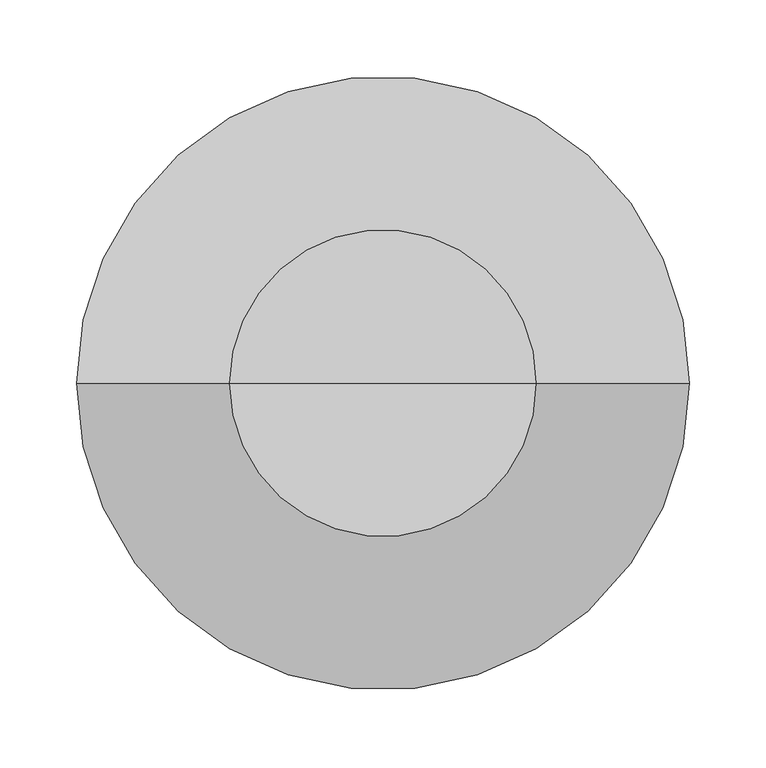
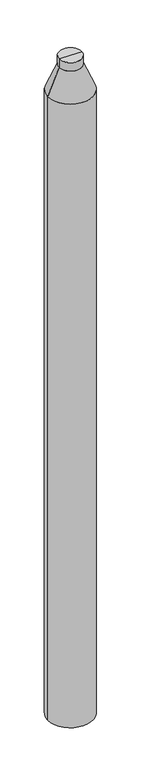
"""IFC4 building model written with IfcOpenShell, lengths in millimetres: column geometry."""

import ifcopenshell
import ifcopenshell.guid

model = None  # the IFC model being written
_history = None  # IfcOwnerHistory: only IFC2X3 demands one
_inside = {}  # id of a spatial element -> (the spatial element, [elements in it])
_under = {}  # id of a project, library or spatial element -> (it, [spatial elements below it])
_declared = {}  # id of a project -> (the project, [libraries it declares])
_typed = {}  # id of a type object -> (the type object, [elements of that type])
_made_of = {}  # id of a material, layer set ... -> (it, [elements and type objects made of it])


def new_model(schema):
    """Start an empty IFC model of exactly this schema.

    Asked for "IFC4X3", IfcOpenShell would pick the latest addendum, in which some entities
    have other attributes; the version numbers below select the first issue.
    IFC2X3 requires an IfcOwnerHistory on every rooted entity: one is made here for all.
    """
    global model, _history
    if schema == "IFC4X3":
        model = ifcopenshell.file(schema_version=(4, 3, 0, 0))
    else:
        model = ifcopenshell.file(schema=schema)
    _inside.clear()
    _under.clear()
    _declared.clear()
    _typed.clear()
    _made_of.clear()
    _history = None
    if model.schema == "IFC2X3":
        org = make("IfcOrganization", Name="unknown")
        user = make(
            "IfcPersonAndOrganization",
            ThePerson=make("IfcPerson", FamilyName="unknown"),
            TheOrganization=org,
        )
        app = make(
            "IfcApplication",
            ApplicationDeveloper=org,
            Version="unknown",
            ApplicationFullName="unknown",
            ApplicationIdentifier="unknown",
        )
        _history = make(
            "IfcOwnerHistory",
            OwningUser=user,
            OwningApplication=app,
            ChangeAction="ADDED",
            CreationDate=0,
        )
    return model


def make(cls, **values):
    """One entity of the class cls with the attributes given. An attribute that is None is left unset."""
    return model.create_entity(
        cls, **{name: value for name, value in values.items() if value is not None}
    )


def rooted(cls, **values):
    """An entity with a GlobalId (a new one), such as an element, a storey or a relation."""
    return make(cls, GlobalId=ifcopenshell.guid.new(), OwnerHistory=_history, **values)


def si_unit(unit_type, name, prefix=None):
    """IfcSIUnit, for example si_unit("LENGTHUNIT", "METRE", prefix="MILLI")."""
    return make("IfcSIUnit", UnitType=unit_type, Prefix=prefix, Name=name)


def assignment(units):
    """IfcUnitAssignment: the units of a project."""
    return None if units is None else make("IfcUnitAssignment", Units=units)


def point(xyz):
    """IfcCartesianPoint."""
    return None if xyz is None else make("IfcCartesianPoint", Coordinates=xyz)


def direction(xyz):
    """IfcDirection."""
    return None if xyz is None else make("IfcDirection", DirectionRatios=xyz)


def frame(location, z_axis=None, x_axis=None):
    """IfcAxis2Placement3D, a coordinate frame: its origin and axes. An axis left out is left unset."""
    return make(
        "IfcAxis2Placement3D",
        Location=point(location),
        Axis=direction(z_axis),
        RefDirection=direction(x_axis),
    )


def origin():
    """The frame at (0, 0, 0) with its axes left unset."""
    return frame((0.0, 0.0, 0.0))


def place(relative_to, where):
    """IfcLocalPlacement: puts the frame where relative to a parent placement (None: the world)."""
    return make(
        "IfcLocalPlacement", PlacementRelTo=relative_to, RelativePlacement=where
    )


def context(
    kind, dimensions, precision=None, world=None, true_north=None, identifier=None
):
    """IfcGeometricRepresentationContext, for example the 3D "Model" context."""
    return make(
        "IfcGeometricRepresentationContext",
        ContextIdentifier=identifier,
        ContextType=kind,
        CoordinateSpaceDimension=dimensions,
        Precision=precision,
        WorldCoordinateSystem=world,
        TrueNorth=true_north,
    )


def project(units=None, contexts=None):
    """IfcProject with its units and contexts."""
    return rooted(
        "IfcProject",
        Name="project",
        RepresentationContexts=contexts,
        UnitsInContext=assignment(units),
    )


def spatial(cls, under=None, at=None, **own):
    """A site, building, storey or space (cls), placed at a placement, below another one or the project."""
    s = rooted(cls, ObjectPlacement=at, **own)
    if under is not None:
        _under.setdefault(under.id(), (under, []))[1].append(s)
    return s


def polyline(points):
    """IfcPolyline through the points."""
    return make("IfcPolyline", Points=[point(p) for p in points])


def circle_curve(where, radius):
    """IfcCircle in the frame where."""
    return make("IfcCircle", Position=where, Radius=radius)


def shape(context_of_items, identifier, shape_type, items):
    """IfcShapeRepresentation: the items that make up one representation, for example the "Body"."""
    return make(
        "IfcShapeRepresentation",
        ContextOfItems=context_of_items,
        RepresentationIdentifier=identifier,
        RepresentationType=shape_type,
        Items=items,
    )


def source(mapping_origin, context_of_items, identifier, shape_type, items):
    """IfcRepresentationMap: a shape defined once, which mapped items show again and again."""
    return make(
        "IfcRepresentationMap",
        MappingOrigin=mapping_origin,
        MappedRepresentation=shape(context_of_items, identifier, shape_type, items),
    )


def transform(
    local_origin,
    x_axis=None,
    y_axis=None,
    z_axis=None,
    scale=None,
    scale2=None,
    scale3=None,
    uniform=True,
):
    """IfcCartesianTransformationOperator3D, or its non-uniform kind. x_axis, y_axis, z_axis: its Axis1, 2, 3."""
    if uniform:
        return make(
            "IfcCartesianTransformationOperator3D",
            Axis1=direction(x_axis),
            Axis2=direction(y_axis),
            LocalOrigin=point(local_origin),
            Scale=scale,
            Axis3=direction(z_axis),
        )
    return make(
        "IfcCartesianTransformationOperator3DnonUniform",
        Axis1=direction(x_axis),
        Axis2=direction(y_axis),
        LocalOrigin=point(local_origin),
        Scale=scale,
        Axis3=direction(z_axis),
        Scale2=scale2,
        Scale3=scale3,
    )


def mapped(mapping_source, mapping_target):
    """IfcMappedItem: shows the shape of a source again, moved by a transform."""
    return make(
        "IfcMappedItem", MappingSource=mapping_source, MappingTarget=mapping_target
    )


def made_of(thing, what):
    """Note that an element or type object is made of a material, layer set ...; save() writes the relation."""
    if what is not None:
        _made_of.setdefault(what.id(), (what, []))[1].append(thing)
    return thing


def element(
    cls,
    number,
    at=None,
    inside=None,
    cuts=None,
    type_object=None,
    material=None,
    context=None,
    identifier="Body",
    shape_type=None,
    held_by="IfcProductDefinitionShape",
    body=None,
    shapes=None,
    **own,
):
    """One element of the class cls, such as IfcWall. Its Tag is "e" and its number.

    at: its placement. inside: the storey or other place that contains it. cuts: it is an
    opening in that element (IfcRelVoidsElement). A single representation is given by context,
    identifier, shape_type and body (its items); several are given by shapes. held_by: the class
    of the entity that holds the representations. save() writes the other relations.
    """
    e = rooted(cls, Tag="e%d" % number, ObjectPlacement=at, **own)
    if body is not None:
        shapes = [shape(context, identifier, shape_type, body)]
    if shapes is not None:
        e.Representation = make(held_by, Representations=shapes)
    if inside is not None:
        _inside.setdefault(inside.id(), (inside, []))[1].append(e)
    if cuts is not None:
        rooted(
            "IfcRelVoidsElement", RelatingBuildingElement=cuts, RelatedOpeningElement=e
        )
    if type_object is not None:
        _typed.setdefault(type_object.id(), (type_object, []))[1].append(e)
    return made_of(e, material)


def aggregate(whole, parts):
    """IfcRelAggregates: a whole, such as a stair, and the parts it consists of."""
    return rooted("IfcRelAggregates", RelatingObject=whole, RelatedObjects=parts)


def save(model, path):
    """Write the relations noted so far, then the file.

    IfcRelAggregates (storeys below a building ...), IfcRelContainedInSpatialStructure (elements
    in a storey), IfcRelDefinesByType, IfcRelAssociatesMaterial and IfcRelDeclares: one each for
    every whole, place, type object, material and project.
    """
    for whole, parts in _under.values():
        aggregate(whole, parts)
    for where, things in _inside.values():
        rooted(
            "IfcRelContainedInSpatialStructure",
            RelatedElements=things,
            RelatingStructure=where,
        )
    for kind, things in _typed.values():
        rooted("IfcRelDefinesByType", RelatedObjects=things, RelatingType=kind)
    for what, things in _made_of.values():
        rooted("IfcRelAssociatesMaterial", RelatedObjects=things, RelatingMaterial=what)
    for by, libraries in _declared.values():
        rooted("IfcRelDeclares", RelatingContext=by, RelatedDefinitions=libraries)
    model.write(path)


def plane_surface(at):
    """IfcPlane: the flat surface through the origin of the frame at, square to its z axis."""
    return make("IfcPlane", Position=at)


def cylinder_surface(at, radius):
    """IfcCylindricalSurface: all points at the distance radius from the z axis of the frame at."""
    return make("IfcCylindricalSurface", Position=at, Radius=radius)


def revolved_surface(curve, axis_point, axis_direction):
    """IfcSurfaceOfRevolution: the curve turned about the line through axis_point along axis_direction."""
    return make(
        "IfcSurfaceOfRevolution",
        SweptCurve=make("IfcArbitraryOpenProfileDef", ProfileType="CURVE", Curve=curve),
        AxisPosition=make("IfcAxis1Placement", Location=point(axis_point), Axis=direction(axis_direction)),
    )


def advanced_brep(points, edges, surfaces, faces):
    """IfcAdvancedBrep: a solid bounded by faces that lie on surfaces and meet in shared edges.

    An edge is (start, end): straight between two places in points (the first is 0);
    or (start, end, curve); or (start, end, curve, False) where it runs against its curve.
    A face is (place in surfaces, loops), or (place, loops, False) where it looks against
    its surface's normal. A loop lists edges by number (the first is 1), with a minus sign
    where the edge is run from its end to its start. The first loop is the outer one.
    """
    corners = [point(p) for p in points]
    vertices = [make("IfcVertexPoint", VertexGeometry=c) for c in corners]
    made = []
    for start, end, *more in edges:
        made.append(
            make(
                "IfcEdgeCurve",
                EdgeStart=vertices[start],
                EdgeEnd=vertices[end],
                EdgeGeometry=more[0] if more else make("IfcPolyline", Points=[corners[start], corners[end]]),
                SameSense=more[1] if len(more) > 1 else True,
            )
        )
    hull = []
    for where, loops, *sense in faces:
        bounds = []
        for j, loop in enumerate(loops):
            ring = [make("IfcOrientedEdge", EdgeElement=made[abs(k) - 1], Orientation=k > 0) for k in loop]
            bounds.append(
                make(
                    "IfcFaceOuterBound" if j == 0 else "IfcFaceBound",
                    Bound=make("IfcEdgeLoop", EdgeList=ring),
                    Orientation=True,
                )
            )
        hull.append(make("IfcAdvancedFace", Bounds=bounds, FaceSurface=surfaces[where], SameSense=sense[0] if sense else True))
    return make("IfcAdvancedBrep", Outer=make("IfcClosedShell", CfsFaces=hull))


def column_e775328a(model_context):
    return source(origin(), model_context, "Body", "AdvancedBrep", [
        advanced_brep(
        [(-200.0, 0.0, 3260.875), (200.0, 0.0, 3260.875), (200.0, 0.0, -2599.125), (-200.0, 0.0, -2599.125), (0.0, 0.0, -2599.125), (-100.0, 0.0, 3500.875), (100.0, 0.0, 3500.875), (-100.0, 0.0, 3580.875), (100.0, 0.0, 3580.875), (0.0, 0.0, 3580.875)],
        [
            (0, 1, circle_curve(frame((0.0, 0.0, 3260.875), z_axis=(0.0, 0.0, -1.0), x_axis=(1.0, 0.0, 0.0)), 200.0)),
            (1, 2),
            (2, 3, circle_curve(frame((0.0, 0.0, -2599.125), z_axis=(0.0, 0.0, 1.0), x_axis=(1.0, 0.0, 0.0)), 200.0)),
            (3, 0),
            (2, 4),
            (4, 3),
            (2, 3, circle_curve(frame((0.0, 0.0, -2599.125), z_axis=(0.0, 0.0, -1.0), x_axis=(1.0, 0.0, 0.0)), 200.0)),
            (1, 0, circle_curve(frame((0.0, 0.0, 3260.875), z_axis=(0.0, 0.0, -1.0), x_axis=(1.0, 0.0, 0.0)), 200.0)),
            (5, 6, circle_curve(frame((0.0, 0.0, 3500.875), z_axis=(0.0, 0.0, -1.0), x_axis=(1.0, 0.0, 0.0)), 100.0)),
            (6, 1),
            (0, 5),
            (6, 5, circle_curve(frame((0.0, 0.0, 3500.875), z_axis=(0.0, 0.0, -1.0), x_axis=(1.0, 0.0, 0.0)), 100.0)),
            (7, 8, circle_curve(frame((0.0, 0.0, 3580.875), z_axis=(0.0, 0.0, -1.0), x_axis=(1.0, 0.0, 0.0)), 100.0)),
            (8, 6),
            (5, 7),
            (8, 7, circle_curve(frame((0.0, 0.0, 3580.875), z_axis=(0.0, 0.0, -1.0), x_axis=(1.0, 0.0, 0.0)), 100.0)),
            (9, 8),
            (7, 9),
        ],
        [
            cylinder_surface(frame((0.0, 0.0, 3222.1059986), z_axis=(0.0, 0.0, 1.0), x_axis=(1.0, 0.0, 0.0)), 200.0),
            plane_surface(frame((0.0, 0.0, -2599.125), z_axis=(0.0, 0.0, -1.0), x_axis=(1.0, 0.0, 0.0))),
            revolved_surface(polyline([(200.0, 0.0, 3260.875), (100.0, 0.0, 3500.875)]), (0.0, 0.0, 3222.1059986), (0.0, 0.0, 1.0)),
            cylinder_surface(frame((0.0, 0.0, 3222.1059986), z_axis=(0.0, 0.0, 1.0), x_axis=(1.0, 0.0, 0.0)), 100.0),
            plane_surface(frame((0.0, 0.0, 3580.875), z_axis=(0.0, 0.0, 1.0), x_axis=(1.0, 0.0, 0.0))),
        ],
        [
            (0, [[1, 2, 3, 4]]),
            (1, [[-3, 5, 6]]),
            (1, [[7, -6, -5]]),
            (0, [[8, -4, -7, -2]]),
            (2, [[9, 10, -1, 11]]),
            (2, [[12, -11, -8, -10]]),
            (3, [[13, 14, -9, 15]]),
            (3, [[16, -15, -12, -14]]),
            (4, [[17, -13, 18]]),
            (4, [[-18, -16, -17]]),
        ],
    ),
    ])


if __name__ == "__main__":
    model = new_model("IFC4")
    model_context = context("Model", 3, world=origin())
    ifc_project = project(units=[si_unit("LENGTHUNIT", "METRE", prefix="MILLI")], contexts=[model_context])
    site = spatial("IfcSite", under=ifc_project)
    building = spatial("IfcBuilding", under=site)
    placement = place(None, origin())
    column_shape = column_e775328a(model_context)
    element("IfcColumn", 1, at=placement, inside=building, context=model_context, shape_type="MappedRepresentation", body=[
        mapped(column_shape, transform((0.0, 0.0, 0.0), x_axis=(1.0, 0.0, 0.0), y_axis=(0.0, 1.0, 0.0), z_axis=(0.0, 0.0, 1.0))),
    ])
    save(model, "model.ifc")
